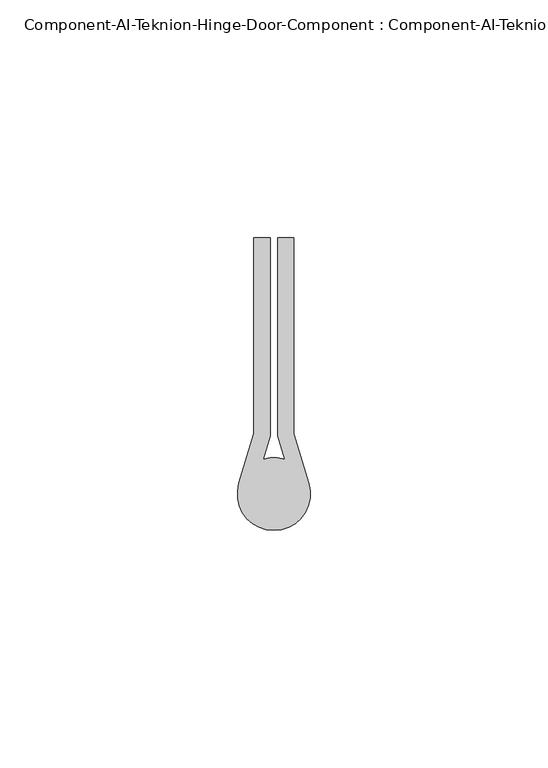
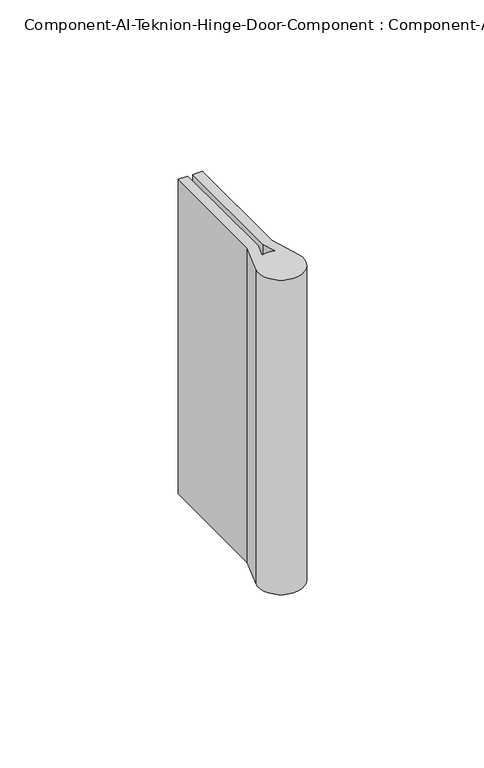
"""IFC4 building model written with IfcOpenShell, lengths in millimetres: furniture geometry, Component-AI-Teknion-Hinge-Door-Component : Component-AI-Teknion-Hinge-Door-Component."""

from ifc_helpers import new_model, si_unit, point, frame_2d, origin, origin_with_axes, place, context, project, spatial, polyline, circle_curve, trimmed, segment, composite_curve, outline, extrude, source, transform, mapped, element, save


def component_ai_teknion_hinge_door_component_component_ai_4973d142(model_context):
    return source(origin(), model_context, "Body", "SweptSolid", [
        extrude(outline(composite_curve([segment(polyline([(-4.1024655, -3.428821), (-4.1024655, 37.846179), (-0.6988655, 37.846179), (-0.6988655, -3.9305617), (-2.1616314, -8.7841421)]), True, "CONTINUOUS"), segment(trimmed(circle_curve(frame_2d((0.0948845, -16.128821)), 7.6835), [point((-2.1616314, -8.7841421))], [point((2.3514004, -8.7841421))], False, "CARTESIAN"), True, "CONTINUOUS"), segment(polyline([(2.3514004, -8.7841421), (0.8886345, -3.9305617), (0.8886345, 37.846179), (4.2922345, 37.846179), (4.2922345, -3.428821), (7.4515452, -13.9116799)]), True, "CONTINUOUS"), segment(trimmed(circle_curve(frame_2d((0.0948845, -16.128821)), 7.6835), [point((7.4515452, -13.9116799))], [point((-7.2617763, -13.9116799))], False, "CARTESIAN"), True, "CONTINUOUS"), segment(polyline([(-7.2617763, -13.9116799), (-4.1024655, -3.428821)]), True, "CONTINUOUS")], self_intersect=False)), origin_with_axes(), (0.0, 0.0, 1.0), 114.3),
    ])


if __name__ == "__main__":
    model = new_model("IFC4")
    model_context = context("Model", 3, world=origin())
    ifc_project = project(units=[si_unit("LENGTHUNIT", "METRE", prefix="MILLI")], contexts=[model_context])
    site = spatial("IfcSite", under=ifc_project)
    building = spatial("IfcBuilding", under=site)
    placement = place(None, origin())
    component_ai_teknion_hinge_door_component_component_ai_shape = component_ai_teknion_hinge_door_component_component_ai_4973d142(model_context)
    element("IfcFurniture", 1, ObjectType="Component-AI-Teknion-Hinge-Door-Component : Component-AI-Teknion-Hinge-Door-Component", at=placement, inside=building, context=model_context, shape_type="MappedRepresentation", body=[
        mapped(component_ai_teknion_hinge_door_component_component_ai_shape, transform((0.0, 0.0, 0.0), x_axis=(1.0, 0.0, 0.0), y_axis=(0.0, 1.0, 0.0), z_axis=(0.0, 0.0, 1.0))),
    ])
    save(model, "model.ifc")
